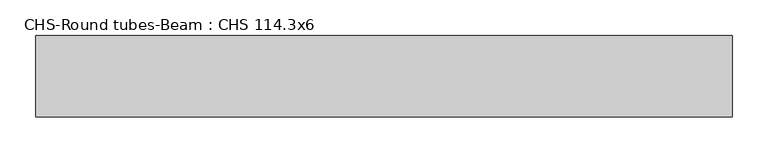
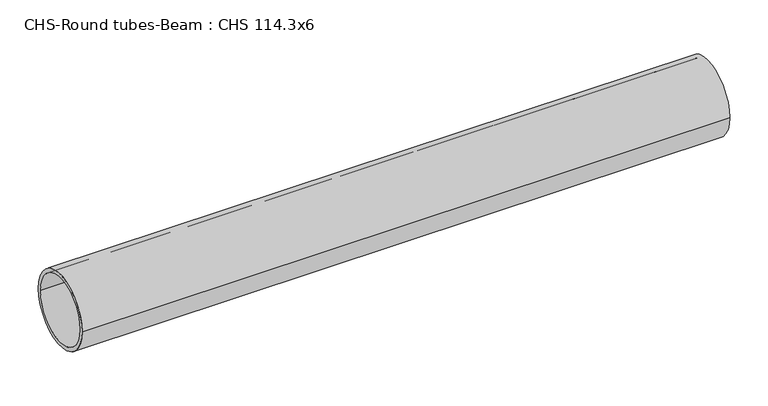
"""IFC4 building model written with IfcOpenShell, lengths in millimetres: beam geometry, CHS-Round tubes-Beam : CHS 114.3x6."""

from ifc_helpers import new_model, si_unit, point, frame, origin, origin_2d, place, context, project, spatial, circle_curve, trimmed, segment, composite_curve, outline, extrude, source, transform, mapped, element, save


def chs_round_tubes_beam_chs_114_3x6_135bf21b(model_context):
    return source(origin(), model_context, "Body", "SweptSolid", [
        extrude(outline(composite_curve([segment(trimmed(circle_curve(origin_2d(), 57.15), [point((57.15, 0.0))], [point((-57.15, 0.0))], False, "CARTESIAN"), True, "CONTINUOUS"), segment(trimmed(circle_curve(origin_2d(), 57.15), [point((-57.15, 0.0))], [point((57.15, 0.0))], False, "CARTESIAN"), True, "CONTINUOUS")], self_intersect=False), holes=[composite_curve([segment(trimmed(circle_curve(origin_2d(), 51.15), [point((51.15, 0.0))], [point((-51.15, 0.0))], True, "CARTESIAN"), True, "CONTINUOUS"), segment(trimmed(circle_curve(origin_2d(), 51.15), [point((-51.15, 0.0))], [point((51.15, 0.0))], True, "CARTESIAN"), True, "CONTINUOUS")], self_intersect=False)]), frame((-487.3007939, 0.0, 0.0), z_axis=(1.0, 0.0, 0.0), x_axis=(0.0, 1.0, 0.0)), (0.0, 0.0, 1.0), 975.6360323),
    ])


if __name__ == "__main__":
    model = new_model("IFC4")
    model_context = context("Model", 3, world=origin())
    ifc_project = project(units=[si_unit("LENGTHUNIT", "METRE", prefix="MILLI")], contexts=[model_context])
    site = spatial("IfcSite", under=ifc_project)
    building = spatial("IfcBuilding", under=site)
    placement = place(None, origin())
    chs_round_tubes_beam_chs_114_3x6_shape = chs_round_tubes_beam_chs_114_3x6_135bf21b(model_context)
    element("IfcBeam", 1, ObjectType="CHS-Round tubes-Beam : CHS 114.3x6", at=placement, inside=building, context=model_context, shape_type="MappedRepresentation", body=[
        mapped(chs_round_tubes_beam_chs_114_3x6_shape, transform((0.0, 0.0, 0.0), x_axis=(1.0, 0.0, 0.0), y_axis=(0.0, 1.0, 0.0), z_axis=(0.0, 0.0, 1.0))),
    ])
    save(model, "model.ifc")
